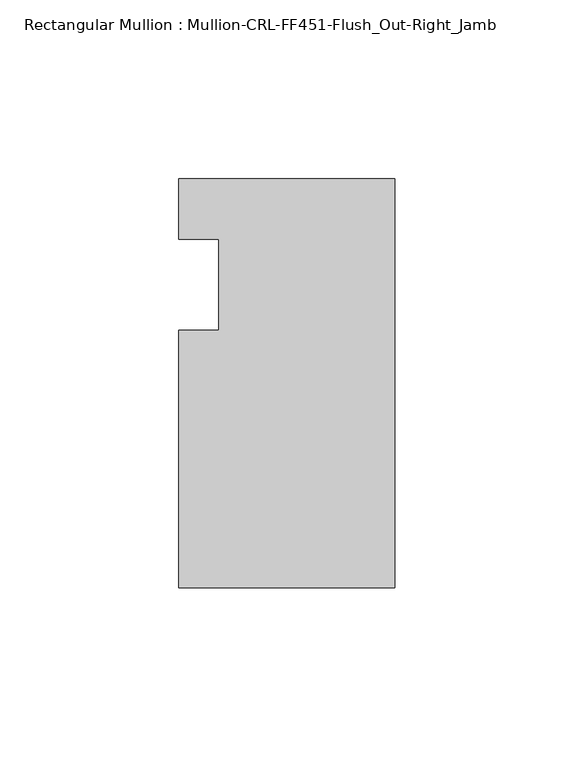
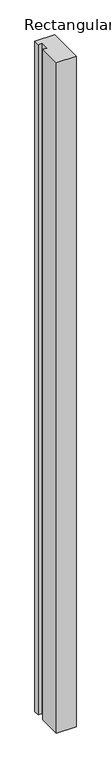
"""IFC4 building model written with IfcOpenShell, lengths in millimetres: member geometry, Rectangular Mullion : Mullion-CRL-FF451-Flush_Out-Right_Jamb."""

from ifc_helpers import new_model, si_unit, frame, origin, place, context, project, spatial, polyline, outline, extrude, source, transform, mapped, element, save


def rectangular_mullion_mullion_crl_ff451_flush_out_right_jamb_78e1a2ae(model_context):
    return source(origin(), model_context, "Body", "SweptSolid", [
        extrude(outline(polyline([(0.0, -84.6650108), (-60.362207, -84.6650108), (-60.362207, -12.7), (-49.222241, -12.7), (-49.222241, 12.7), (-60.362207, 12.7), (-60.362207, 29.6349892), (0.0, 29.6349892), (0.0, -84.6650108)])), frame((0.0, 0.0, -2174.875), z_axis=(0.0, 0.0, 1.0), x_axis=(1.0, 0.0, 0.0)), (0.0, 0.0, 1.0), 2174.875),
    ])


if __name__ == "__main__":
    model = new_model("IFC4")
    model_context = context("Model", 3, world=origin())
    ifc_project = project(units=[si_unit("LENGTHUNIT", "METRE", prefix="MILLI")], contexts=[model_context])
    site = spatial("IfcSite", under=ifc_project)
    building = spatial("IfcBuilding", under=site)
    placement = place(None, origin())
    rectangular_mullion_mullion_crl_ff451_flush_out_right_jamb_shape = rectangular_mullion_mullion_crl_ff451_flush_out_right_jamb_78e1a2ae(model_context)
    element("IfcMember", 1, ObjectType="Rectangular Mullion : Mullion-CRL-FF451-Flush_Out-Right_Jamb", at=placement, inside=building, context=model_context, shape_type="MappedRepresentation", body=[
        mapped(rectangular_mullion_mullion_crl_ff451_flush_out_right_jamb_shape, transform((0.0, 0.0, 0.0), x_axis=(1.0, 0.0, 0.0), y_axis=(0.0, 1.0, 0.0), z_axis=(0.0, 0.0, 1.0))),
    ])
    save(model, "model.ifc")
